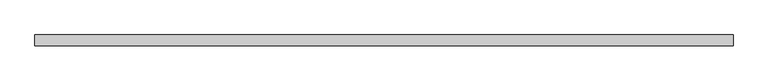
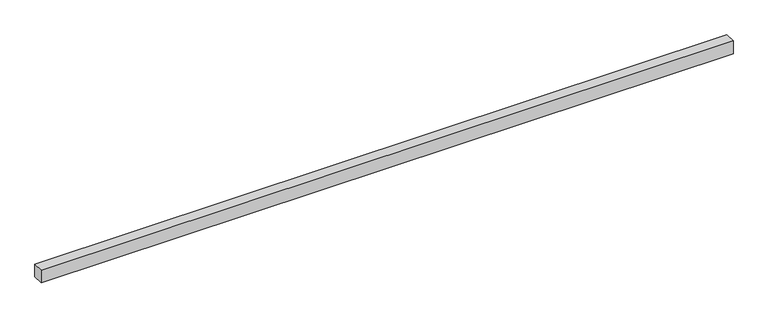
"""IFC4 building model written with IfcOpenShell, lengths in millimetres: proxy geometry."""

from ifc_helpers import new_model, si_unit, frame, origin, place, context, project, spatial, polyline, outline, extrude, source, transform, mapped, element, save


def generic_models_203ad6d9(model_context):
    return source(origin(), model_context, "Body", "SweptSolid", [
        extrude(outline(polyline([(40.0, 0.0), (-40.0, 0.0), (-40.0, 5221.6233816), (40.0, 5221.6233816), (40.0, 0.0)])), frame((5221.6233816, 0.0, 0.0), z_axis=(0.0, -1.9783474858313244e-12, 1.0), x_axis=(0.0, 1.0, 1.9783474858313244e-12)), (0.0, 0.0, 1.0), 100.0),
    ])


if __name__ == "__main__":
    model = new_model("IFC4")
    model_context = context("Model", 3, world=origin())
    ifc_project = project(units=[si_unit("LENGTHUNIT", "METRE", prefix="MILLI")], contexts=[model_context])
    site = spatial("IfcSite", under=ifc_project)
    building = spatial("IfcBuilding", under=site)
    placement = place(None, origin())
    generic_models_shape = generic_models_203ad6d9(model_context)
    element("IfcBuildingElementProxy", 1, Name="Generic Models", at=placement, inside=building, context=model_context, shape_type="MappedRepresentation", body=[
        mapped(generic_models_shape, transform((0.0, 0.0, 0.0), x_axis=(1.0, 0.0, 0.0), y_axis=(0.0, 1.0, 0.0), z_axis=(0.0, 0.0, 1.0))),
    ])
    save(model, "model.ifc")
